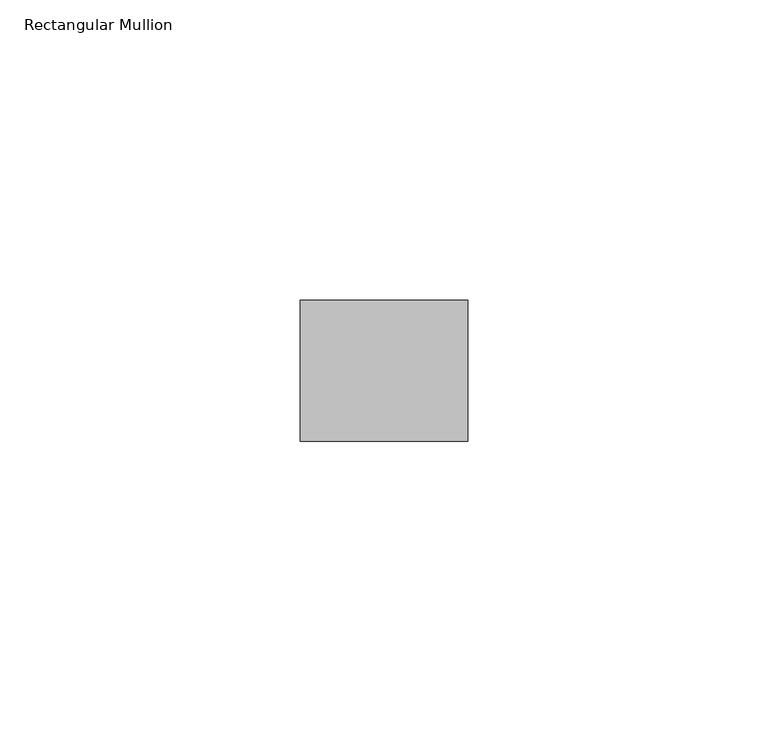
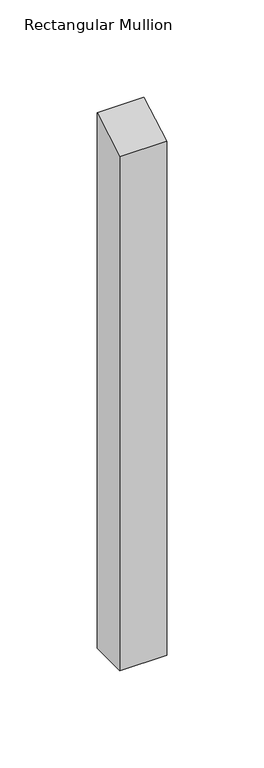
"""IFC4 building model written with IfcOpenShell, lengths in millimetres: member geometry, Rectangular Mullion."""

from ifc_helpers import new_model, si_unit, frame, origin, place, context, project, spatial, polyline, outline, extrude, source, transform, mapped, element, save


def rectangular_mullion_c0546176(model_context):
    return source(origin(), model_context, "Body", "SweptSolid", [
        extrude(outline(polyline([(-11.7474999, -6.7824222), (11.7474999, 6.7824222), (11.7474999, -330.2), (-11.7474999, -330.2), (-11.7474999, -6.7824222)])), frame((-27.94, 0.0, 0.0), z_axis=(1.0, 0.0, 0.0), x_axis=(0.0, 1.0, 0.0)), (0.0, 0.0, 1.0), 27.94),
    ])


if __name__ == "__main__":
    model = new_model("IFC4")
    model_context = context("Model", 3, world=origin())
    ifc_project = project(units=[si_unit("LENGTHUNIT", "METRE", prefix="MILLI")], contexts=[model_context])
    site = spatial("IfcSite", under=ifc_project)
    building = spatial("IfcBuilding", under=site)
    placement = place(None, origin())
    rectangular_mullion_shape = rectangular_mullion_c0546176(model_context)
    element("IfcMember", 1, ObjectType="Rectangular Mullion", at=placement, inside=building, context=model_context, shape_type="MappedRepresentation", body=[
        mapped(rectangular_mullion_shape, transform((0.0, 0.0, 0.0), x_axis=(1.0, 0.0, 0.0), y_axis=(0.0, 1.0, 0.0), z_axis=(0.0, 0.0, 1.0))),
    ])
    save(model, "model.ifc")
